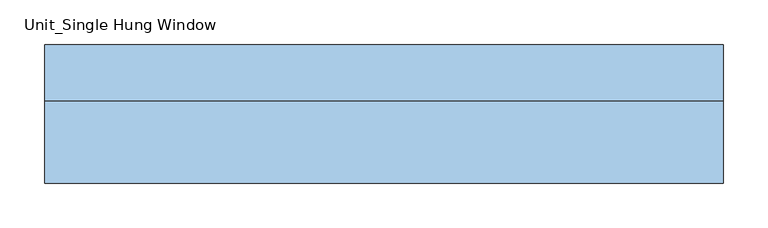
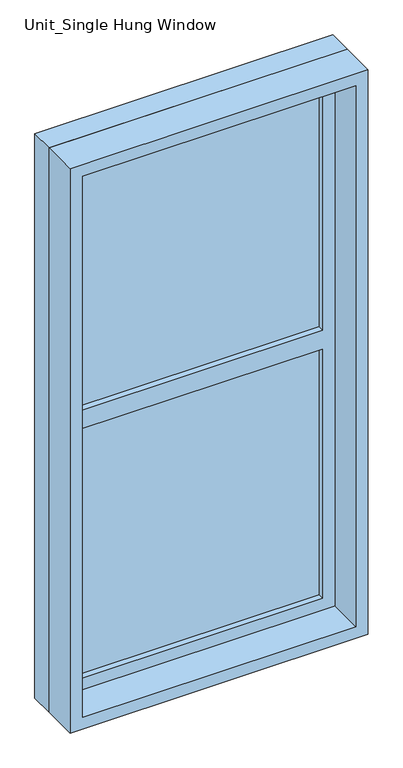
"""IFC4 building model written with IfcOpenShell, lengths in millimetres: window geometry, Unit_Single Hung Window."""

from ifc_helpers import new_model, si_unit, frame, origin, place, context, project, spatial, polyline, outline, extrude, source, transform, mapped, element, save


def unit_single_hung_window_8795ba31(model_context):
    return source(origin(), model_context, "Body", "SweptSolid", [
        extrude(outline(polyline([(279.4, 30.1625), (-355.6, 30.1625), (-355.6, 42.8625), (279.4, 42.8625), (279.4, 30.1625)])), frame((0.0, 0.0, 977.9), z_axis=(0.0, 0.0, 1.0), x_axis=(1.0, 0.0, 0.0)), (0.0, 0.0, 1.0), 1397.0),
        extrude(outline(polyline([(2419.35, -400.05), (933.45, -400.05), (933.45, 323.85), (2419.35, 323.85), (2419.35, -400.05)]), holes=[polyline([(2374.9, -355.6), (2374.9, 279.4), (1701.8, 279.4), (1701.8, -355.6), (2374.9, -355.6)]), polyline([(977.9, -355.6), (1651.0, -355.6), (1651.0, 279.4), (977.9, 279.4), (977.9, -355.6)])]), frame((0.0, 14.2875, 0.0), z_axis=(0.0, 1.0, 0.0), x_axis=(0.0, 0.0, 1.0)), (0.0, 0.0, 1.0), 44.45),
        extrude(outline(polyline([(2438.4, -419.1), (914.4, -419.1), (914.4, 342.9), (2438.4, 342.9), (2438.4, -419.1)]), holes=[polyline([(2406.65, -387.35), (2406.65, 311.15), (946.15, 311.15), (946.15, -387.35), (2406.65, -387.35)])]), frame((0.0, -77.7875, 0.0), z_axis=(0.0, 1.0, 0.0), x_axis=(0.0, 0.0, 1.0)), (0.0, 0.0, 1.0), 92.075),
        extrude(outline(polyline([(2438.4, 342.9), (2438.4, -419.1), (914.4, -419.1), (914.4, 342.9), (2438.4, 342.9)]), holes=[polyline([(2419.35, 323.85), (933.45, 323.85), (933.45, -400.05), (2419.35, -400.05), (2419.35, 323.85)])]), frame((0.0, 14.2875, 0.0), z_axis=(0.0, 1.0, 0.0), x_axis=(0.0, 0.0, 1.0)), (0.0, 0.0, 1.0), 63.5),
    ])


if __name__ == "__main__":
    model = new_model("IFC4")
    model_context = context("Model", 3, world=origin())
    ifc_project = project(units=[si_unit("LENGTHUNIT", "METRE", prefix="MILLI")], contexts=[model_context])
    site = spatial("IfcSite", under=ifc_project)
    building = spatial("IfcBuilding", under=site)
    placement = place(None, origin())
    unit_single_hung_window_shape = unit_single_hung_window_8795ba31(model_context)
    element("IfcWindow", 1, ObjectType="Unit_Single Hung Window", at=placement, inside=building, context=model_context, shape_type="MappedRepresentation", body=[
        mapped(unit_single_hung_window_shape, transform((0.0, 0.0, 0.0), x_axis=(1.0, 0.0, 0.0), y_axis=(0.0, 1.0, 0.0), z_axis=(0.0, 0.0, 1.0))),
    ])
    save(model, "model.ifc")
